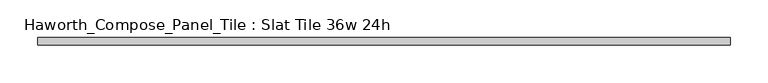
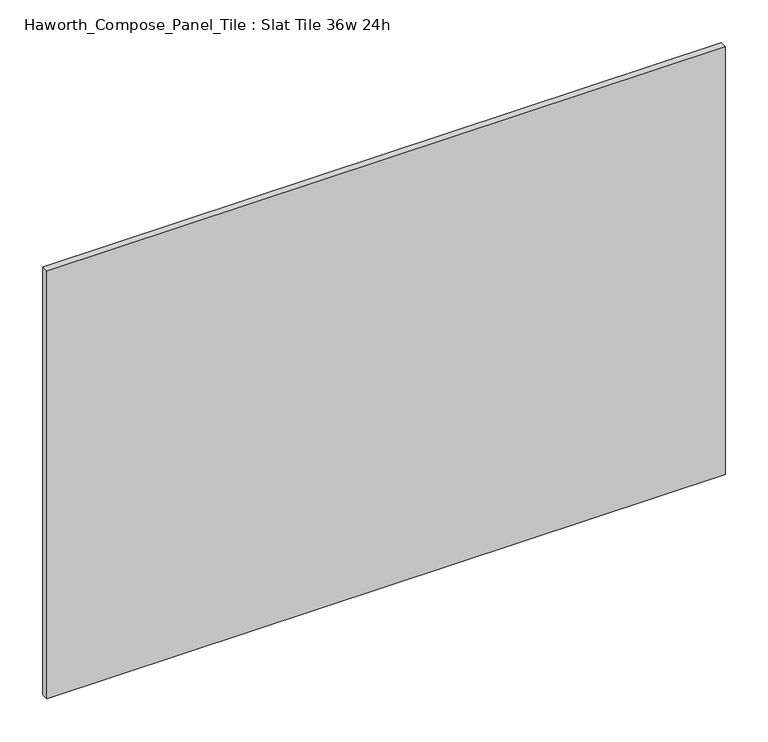
"""IFC4 building model written with IfcOpenShell, lengths in millimetres: furniture geometry, Haworth_Compose_Panel_Tile : Slat Tile 36w 24h."""

from ifc_helpers import new_model, si_unit, frame, origin, place, context, project, spatial, polyline, outline, extrude, source, transform, mapped, element, save


def haworth_compose_panel_tile_slat_tile_36w_24h_229c39c6(model_context):
    return source(origin(), model_context, "Body", "SweptSolid", [
        extrude(outline(polyline([(459.6402902, -25.7218594), (-454.7597098, -25.7218594), (-454.7597098, -16.1968594), (459.6402902, -16.1968594), (459.6402902, -25.7218594)])), frame((0.0, 0.0, 1066.8), z_axis=(0.0, 0.0, 1.0), x_axis=(1.0, 0.0, 0.0)), (0.0, 0.0, 1.0), 609.6),
    ])


if __name__ == "__main__":
    model = new_model("IFC4")
    model_context = context("Model", 3, world=origin())
    ifc_project = project(units=[si_unit("LENGTHUNIT", "METRE", prefix="MILLI")], contexts=[model_context])
    site = spatial("IfcSite", under=ifc_project)
    building = spatial("IfcBuilding", under=site)
    placement = place(None, origin())
    haworth_compose_panel_tile_slat_tile_36w_24h_shape = haworth_compose_panel_tile_slat_tile_36w_24h_229c39c6(model_context)
    element("IfcFurniture", 1, ObjectType="Haworth_Compose_Panel_Tile : Slat Tile 36w 24h", at=placement, inside=building, context=model_context, shape_type="MappedRepresentation", body=[
        mapped(haworth_compose_panel_tile_slat_tile_36w_24h_shape, transform((0.0, 0.0, 0.0), x_axis=(1.0, 0.0, 0.0), y_axis=(0.0, 1.0, 0.0), z_axis=(0.0, 0.0, 1.0))),
    ])
    save(model, "model.ifc")
